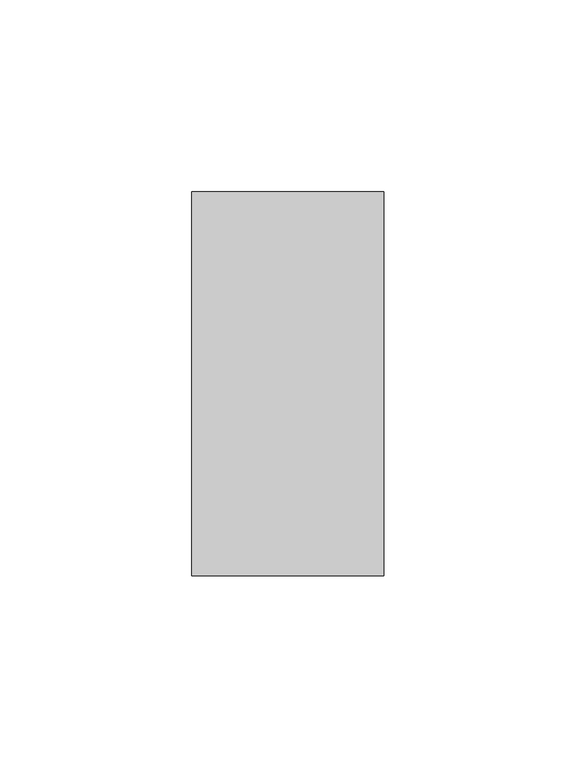
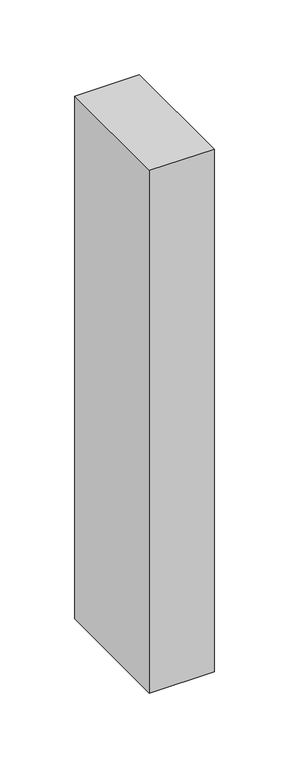
"""IFC4 building model written with IfcOpenShell, lengths in millimetres: member geometry."""

import ifcopenshell
import ifcopenshell.guid

model = None  # the IFC model being written
_history = None  # IfcOwnerHistory: only IFC2X3 demands one
_inside = {}  # id of a spatial element -> (the spatial element, [elements in it])
_under = {}  # id of a project, library or spatial element -> (it, [spatial elements below it])
_declared = {}  # id of a project -> (the project, [libraries it declares])
_typed = {}  # id of a type object -> (the type object, [elements of that type])
_made_of = {}  # id of a material, layer set ... -> (it, [elements and type objects made of it])


def new_model(schema):
    """Start an empty IFC model of exactly this schema.

    Asked for "IFC4X3", IfcOpenShell would pick the latest addendum, in which some entities
    have other attributes; the version numbers below select the first issue.
    IFC2X3 requires an IfcOwnerHistory on every rooted entity: one is made here for all.
    """
    global model, _history
    if schema == "IFC4X3":
        model = ifcopenshell.file(schema_version=(4, 3, 0, 0))
    else:
        model = ifcopenshell.file(schema=schema)
    _inside.clear()
    _under.clear()
    _declared.clear()
    _typed.clear()
    _made_of.clear()
    _history = None
    if model.schema == "IFC2X3":
        org = make("IfcOrganization", Name="unknown")
        user = make(
            "IfcPersonAndOrganization",
            ThePerson=make("IfcPerson", FamilyName="unknown"),
            TheOrganization=org,
        )
        app = make(
            "IfcApplication",
            ApplicationDeveloper=org,
            Version="unknown",
            ApplicationFullName="unknown",
            ApplicationIdentifier="unknown",
        )
        _history = make(
            "IfcOwnerHistory",
            OwningUser=user,
            OwningApplication=app,
            ChangeAction="ADDED",
            CreationDate=0,
        )
    return model


def make(cls, **values):
    """One entity of the class cls with the attributes given. An attribute that is None is left unset."""
    return model.create_entity(
        cls, **{name: value for name, value in values.items() if value is not None}
    )


def rooted(cls, **values):
    """An entity with a GlobalId (a new one), such as an element, a storey or a relation."""
    return make(cls, GlobalId=ifcopenshell.guid.new(), OwnerHistory=_history, **values)


def si_unit(unit_type, name, prefix=None):
    """IfcSIUnit, for example si_unit("LENGTHUNIT", "METRE", prefix="MILLI")."""
    return make("IfcSIUnit", UnitType=unit_type, Prefix=prefix, Name=name)


def assignment(units):
    """IfcUnitAssignment: the units of a project."""
    return None if units is None else make("IfcUnitAssignment", Units=units)


def point(xyz):
    """IfcCartesianPoint."""
    return None if xyz is None else make("IfcCartesianPoint", Coordinates=xyz)


def direction(xyz):
    """IfcDirection."""
    return None if xyz is None else make("IfcDirection", DirectionRatios=xyz)


def frame(location, z_axis=None, x_axis=None):
    """IfcAxis2Placement3D, a coordinate frame: its origin and axes. An axis left out is left unset."""
    return make(
        "IfcAxis2Placement3D",
        Location=point(location),
        Axis=direction(z_axis),
        RefDirection=direction(x_axis),
    )


def origin():
    """The frame at (0, 0, 0) with its axes left unset."""
    return frame((0.0, 0.0, 0.0))


def place(relative_to, where):
    """IfcLocalPlacement: puts the frame where relative to a parent placement (None: the world)."""
    return make(
        "IfcLocalPlacement", PlacementRelTo=relative_to, RelativePlacement=where
    )


def context(
    kind, dimensions, precision=None, world=None, true_north=None, identifier=None
):
    """IfcGeometricRepresentationContext, for example the 3D "Model" context."""
    return make(
        "IfcGeometricRepresentationContext",
        ContextIdentifier=identifier,
        ContextType=kind,
        CoordinateSpaceDimension=dimensions,
        Precision=precision,
        WorldCoordinateSystem=world,
        TrueNorth=true_north,
    )


def project(units=None, contexts=None):
    """IfcProject with its units and contexts."""
    return rooted(
        "IfcProject",
        Name="project",
        RepresentationContexts=contexts,
        UnitsInContext=assignment(units),
    )


def spatial(cls, under=None, at=None, **own):
    """A site, building, storey or space (cls), placed at a placement, below another one or the project."""
    s = rooted(cls, ObjectPlacement=at, **own)
    if under is not None:
        _under.setdefault(under.id(), (under, []))[1].append(s)
    return s


def polyline(points):
    """IfcPolyline through the points."""
    return make("IfcPolyline", Points=[point(p) for p in points])


def outline(outer, holes=None, kind="AREA"):
    """IfcArbitraryClosedProfileDef: a profile drawn as a closed curve; with holes, ...WithVoids."""
    if holes is None:
        return make("IfcArbitraryClosedProfileDef", ProfileType=kind, OuterCurve=outer)
    return make(
        "IfcArbitraryProfileDefWithVoids",
        ProfileType=kind,
        OuterCurve=outer,
        InnerCurves=holes,
    )


def extrude(swept, where, along, depth):
    """IfcExtrudedAreaSolid: the profile swept, set in the frame where, extruded along a direction by depth."""
    return make(
        "IfcExtrudedAreaSolid",
        SweptArea=swept,
        Position=where,
        ExtrudedDirection=direction(along),
        Depth=depth,
    )


def shape(context_of_items, identifier, shape_type, items):
    """IfcShapeRepresentation: the items that make up one representation, for example the "Body"."""
    return make(
        "IfcShapeRepresentation",
        ContextOfItems=context_of_items,
        RepresentationIdentifier=identifier,
        RepresentationType=shape_type,
        Items=items,
    )


def source(mapping_origin, context_of_items, identifier, shape_type, items):
    """IfcRepresentationMap: a shape defined once, which mapped items show again and again."""
    return make(
        "IfcRepresentationMap",
        MappingOrigin=mapping_origin,
        MappedRepresentation=shape(context_of_items, identifier, shape_type, items),
    )


def transform(
    local_origin,
    x_axis=None,
    y_axis=None,
    z_axis=None,
    scale=None,
    scale2=None,
    scale3=None,
    uniform=True,
):
    """IfcCartesianTransformationOperator3D, or its non-uniform kind. x_axis, y_axis, z_axis: its Axis1, 2, 3."""
    if uniform:
        return make(
            "IfcCartesianTransformationOperator3D",
            Axis1=direction(x_axis),
            Axis2=direction(y_axis),
            LocalOrigin=point(local_origin),
            Scale=scale,
            Axis3=direction(z_axis),
        )
    return make(
        "IfcCartesianTransformationOperator3DnonUniform",
        Axis1=direction(x_axis),
        Axis2=direction(y_axis),
        LocalOrigin=point(local_origin),
        Scale=scale,
        Axis3=direction(z_axis),
        Scale2=scale2,
        Scale3=scale3,
    )


def mapped(mapping_source, mapping_target):
    """IfcMappedItem: shows the shape of a source again, moved by a transform."""
    return make(
        "IfcMappedItem", MappingSource=mapping_source, MappingTarget=mapping_target
    )


def made_of(thing, what):
    """Note that an element or type object is made of a material, layer set ...; save() writes the relation."""
    if what is not None:
        _made_of.setdefault(what.id(), (what, []))[1].append(thing)
    return thing


def element(
    cls,
    number,
    at=None,
    inside=None,
    cuts=None,
    type_object=None,
    material=None,
    context=None,
    identifier="Body",
    shape_type=None,
    held_by="IfcProductDefinitionShape",
    body=None,
    shapes=None,
    **own,
):
    """One element of the class cls, such as IfcWall. Its Tag is "e" and its number.

    at: its placement. inside: the storey or other place that contains it. cuts: it is an
    opening in that element (IfcRelVoidsElement). A single representation is given by context,
    identifier, shape_type and body (its items); several are given by shapes. held_by: the class
    of the entity that holds the representations. save() writes the other relations.
    """
    e = rooted(cls, Tag="e%d" % number, ObjectPlacement=at, **own)
    if body is not None:
        shapes = [shape(context, identifier, shape_type, body)]
    if shapes is not None:
        e.Representation = make(held_by, Representations=shapes)
    if inside is not None:
        _inside.setdefault(inside.id(), (inside, []))[1].append(e)
    if cuts is not None:
        rooted(
            "IfcRelVoidsElement", RelatingBuildingElement=cuts, RelatedOpeningElement=e
        )
    if type_object is not None:
        _typed.setdefault(type_object.id(), (type_object, []))[1].append(e)
    return made_of(e, material)


def aggregate(whole, parts):
    """IfcRelAggregates: a whole, such as a stair, and the parts it consists of."""
    return rooted("IfcRelAggregates", RelatingObject=whole, RelatedObjects=parts)


def save(model, path):
    """Write the relations noted so far, then the file.

    IfcRelAggregates (storeys below a building ...), IfcRelContainedInSpatialStructure (elements
    in a storey), IfcRelDefinesByType, IfcRelAssociatesMaterial and IfcRelDeclares: one each for
    every whole, place, type object, material and project.
    """
    for whole, parts in _under.values():
        aggregate(whole, parts)
    for where, things in _inside.values():
        rooted(
            "IfcRelContainedInSpatialStructure",
            RelatedElements=things,
            RelatingStructure=where,
        )
    for kind, things in _typed.values():
        rooted("IfcRelDefinesByType", RelatedObjects=things, RelatingType=kind)
    for what, things in _made_of.values():
        rooted("IfcRelAssociatesMaterial", RelatedObjects=things, RelatingMaterial=what)
    for by, libraries in _declared.values():
        rooted("IfcRelDeclares", RelatingContext=by, RelatedDefinitions=libraries)
    model.write(path)


def member_dd485103(model_context):
    return source(origin(), model_context, "Body", "SweptSolid", [
        extrude(outline(polyline([(25.0, 50.0), (25.0, -50.0), (-25.0, -50.0), (-25.0, 50.0), (25.0, 50.0)])), frame((0.0, 0.0, -426.9310345), z_axis=(0.0, 0.0, 1.0), x_axis=(1.0, 0.0, 0.0)), (0.0, 0.0, 1.0), 426.9310345),
    ])


if __name__ == "__main__":
    model = new_model("IFC4")
    model_context = context("Model", 3, world=origin())
    ifc_project = project(units=[si_unit("LENGTHUNIT", "METRE", prefix="MILLI")], contexts=[model_context])
    site = spatial("IfcSite", under=ifc_project)
    building = spatial("IfcBuilding", under=site)
    placement = place(None, origin())
    member_shape = member_dd485103(model_context)
    element("IfcMember", 1, at=placement, inside=building, context=model_context, shape_type="MappedRepresentation", body=[
        mapped(member_shape, transform((0.0, 0.0, 0.0), x_axis=(1.0, 0.0, 0.0), y_axis=(0.0, 1.0, 0.0), z_axis=(0.0, 0.0, 1.0))),
    ])
    save(model, "model.ifc")
